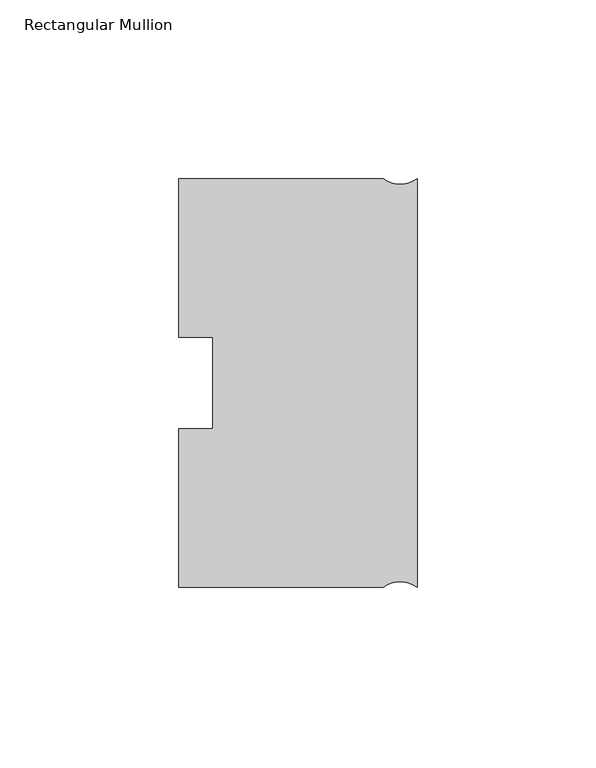
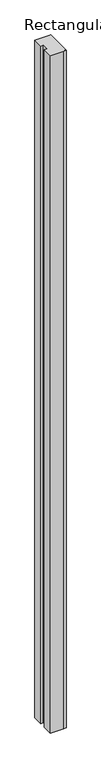
"""IFC4 building model written with IfcOpenShell, lengths in millimetres: member geometry, Rectangular Mullion."""

from ifc_helpers import new_model, si_unit, point, frame, frame_2d, origin, place, context, project, spatial, polyline, circle_curve, trimmed, segment, composite_curve, outline, extrude, source, transform, mapped, element, save


def rectangular_mullion_a9830e24(model_context):
    return source(origin(), model_context, "Body", "SweptSolid", [
        extrude(outline(composite_curve([segment(polyline([(-66.675, -57.15), (-66.675, -12.7327592), (-57.15, -12.7327592), (-57.15, 12.7549391), (-66.675, 12.7549391), (-66.675, 57.15), (-9.525, 57.15)]), True, "CONTINUOUS"), segment(trimmed(circle_curve(frame_2d((-4.7625, 63.5)), 7.9375), [point((-9.525, 57.15))], [point((0.0, 57.15))], True, "CARTESIAN"), True, "CONTINUOUS"), segment(polyline([(0.0, 57.15), (0.0, -57.15)]), True, "CONTINUOUS"), segment(trimmed(circle_curve(frame_2d((-4.7625, -63.5)), 7.9375), [point((0.0, -57.15))], [point((-9.525, -57.15))], True, "CARTESIAN"), True, "CONTINUOUS"), segment(polyline([(-9.525, -57.15), (-66.675, -57.15)]), True, "CONTINUOUS")], self_intersect=False)), frame((0.0, 0.0, -3048.0), z_axis=(0.0, 0.0, 1.0), x_axis=(1.0, 0.0, 0.0)), (0.0, 0.0, 1.0), 3048.0),
    ])


if __name__ == "__main__":
    model = new_model("IFC4")
    model_context = context("Model", 3, world=origin())
    ifc_project = project(units=[si_unit("LENGTHUNIT", "METRE", prefix="MILLI")], contexts=[model_context])
    site = spatial("IfcSite", under=ifc_project)
    building = spatial("IfcBuilding", under=site)
    placement = place(None, origin())
    rectangular_mullion_shape = rectangular_mullion_a9830e24(model_context)
    element("IfcMember", 1, ObjectType="Rectangular Mullion", at=placement, inside=building, context=model_context, shape_type="MappedRepresentation", body=[
        mapped(rectangular_mullion_shape, transform((0.0, 0.0, 0.0), x_axis=(1.0, 0.0, 0.0), y_axis=(0.0, 1.0, 0.0), z_axis=(0.0, 0.0, 1.0))),
    ])
    save(model, "model.ifc")
